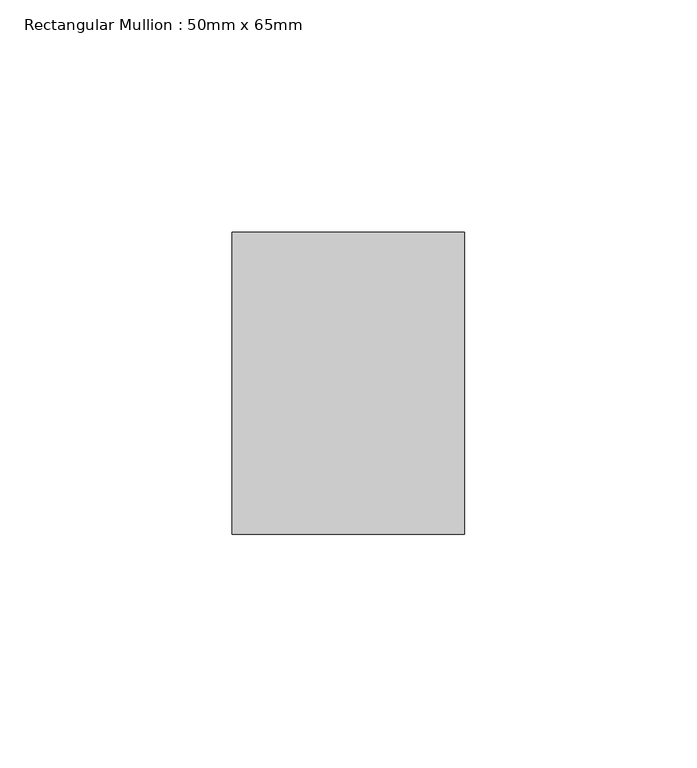
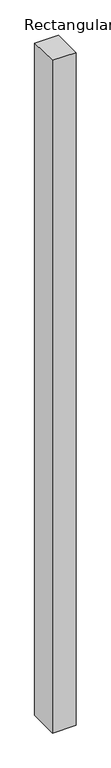
"""IFC4 building model written with IfcOpenShell, lengths in millimetres: member geometry, Rectangular Mullion : 50mm x 65mm."""

from ifc_helpers import new_model, si_unit, origin, place, context, project, spatial, faceted_brep, source, transform, mapped, element, save


def rectangular_mullion_50mm_x_65mm_d4adae0f(model_context):
    return source(origin(), model_context, "Body", "Brep", [
        faceted_brep([(-25.0, 32.5, -0.4966785), (25.0, 32.5, -0.4966774), (25.0, 32.5, -1499.5926334), (-25.0, 32.5, -1499.5926324), (-25.0, -32.5, 0.4966774), (-25.0, -32.5, -1500.4072848), (25.0, -32.5, 0.4966785), (25.0, -32.5, -1500.4072858)], [[[0, 1, 2, 3]], [[4, 0, 3, 5]], [[6, 4, 5, 7]], [[1, 6, 7, 2]], [[1, 0, 4, 6]], [[2, 7, 5, 3]]]),
    ])


if __name__ == "__main__":
    model = new_model("IFC4")
    model_context = context("Model", 3, world=origin())
    ifc_project = project(units=[si_unit("LENGTHUNIT", "METRE", prefix="MILLI")], contexts=[model_context])
    site = spatial("IfcSite", under=ifc_project)
    building = spatial("IfcBuilding", under=site)
    placement = place(None, origin())
    rectangular_mullion_50mm_x_65mm_shape = rectangular_mullion_50mm_x_65mm_d4adae0f(model_context)
    element("IfcMember", 1, ObjectType="Rectangular Mullion : 50mm x 65mm", at=placement, inside=building, context=model_context, shape_type="MappedRepresentation", body=[
        mapped(rectangular_mullion_50mm_x_65mm_shape, transform((0.0, 0.0, 0.0), x_axis=(1.0, 0.0, 0.0), y_axis=(0.0, 1.0, 0.0), z_axis=(0.0, 0.0, 1.0))),
    ])
    save(model, "model.ifc")
